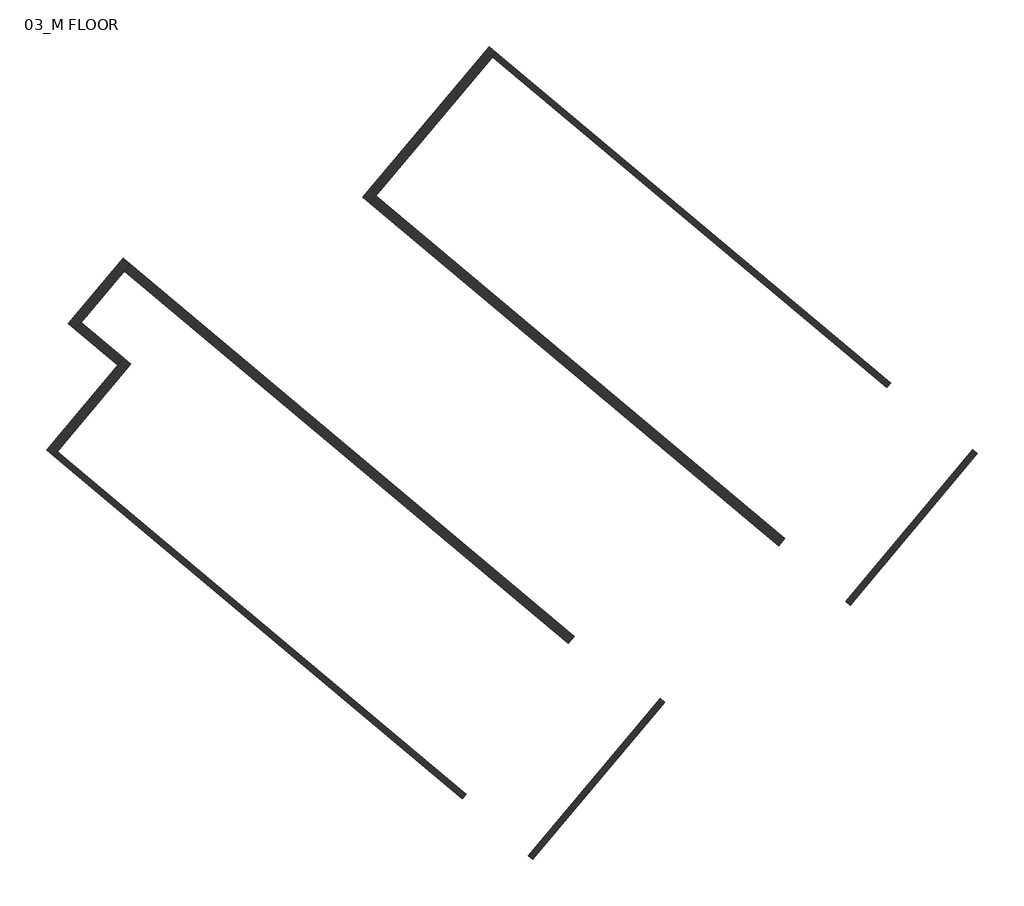
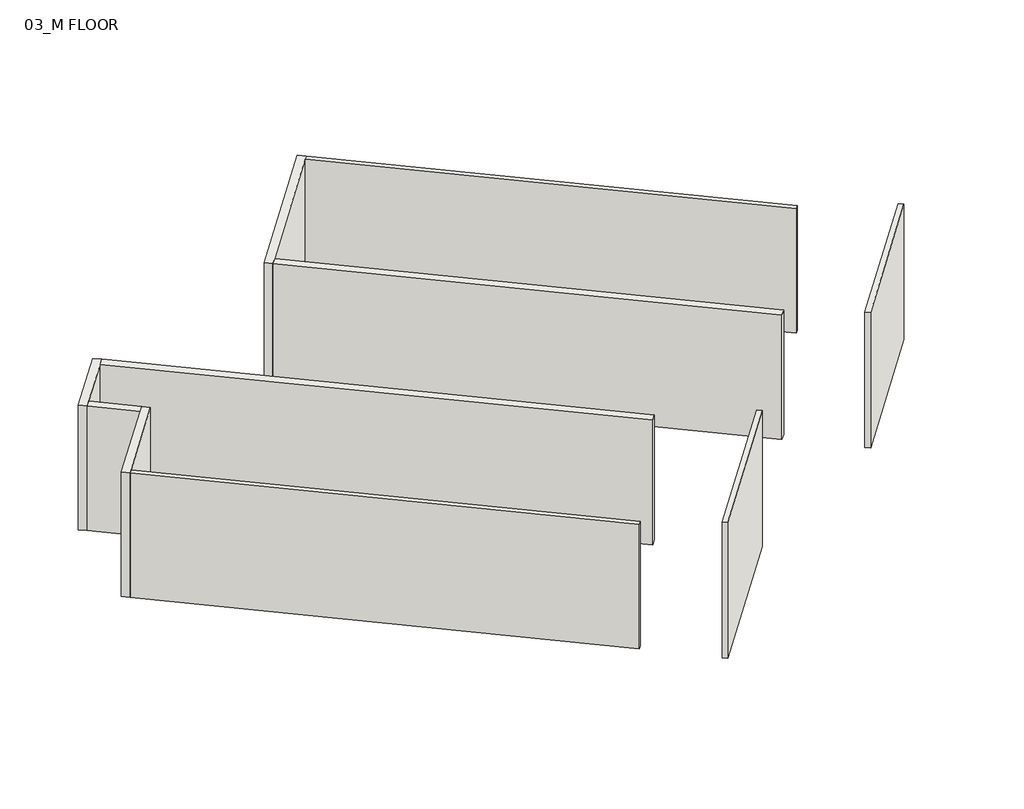
# One storey: 10 walls.
"""IFC4 building model written with IfcOpenShell, lengths in millimetres."""

import ifcopenshell
import ifcopenshell.guid

model = None  # the IFC model being written
_history = None  # IfcOwnerHistory: only IFC2X3 demands one
_inside = {}  # id of a spatial element -> (the spatial element, [elements in it])
_under = {}  # id of a project, library or spatial element -> (it, [spatial elements below it])
_declared = {}  # id of a project -> (the project, [libraries it declares])
_typed = {}  # id of a type object -> (the type object, [elements of that type])
_made_of = {}  # id of a material, layer set ... -> (it, [elements and type objects made of it])


def new_model(schema):
    """Start an empty IFC model of exactly this schema.

    Asked for "IFC4X3", IfcOpenShell would pick the latest addendum, in which some entities
    have other attributes; the version numbers below select the first issue.
    IFC2X3 requires an IfcOwnerHistory on every rooted entity: one is made here for all.
    """
    global model, _history
    if schema == "IFC4X3":
        model = ifcopenshell.file(schema_version=(4, 3, 0, 0))
    else:
        model = ifcopenshell.file(schema=schema)
    _inside.clear()
    _under.clear()
    _declared.clear()
    _typed.clear()
    _made_of.clear()
    _history = None
    if model.schema == "IFC2X3":
        org = make("IfcOrganization", Name="unknown")
        user = make(
            "IfcPersonAndOrganization",
            ThePerson=make("IfcPerson", FamilyName="unknown"),
            TheOrganization=org,
        )
        app = make(
            "IfcApplication",
            ApplicationDeveloper=org,
            Version="unknown",
            ApplicationFullName="unknown",
            ApplicationIdentifier="unknown",
        )
        _history = make(
            "IfcOwnerHistory",
            OwningUser=user,
            OwningApplication=app,
            ChangeAction="ADDED",
            CreationDate=0,
        )
    return model


def make(cls, **values):
    """One entity of the class cls with the attributes given. An attribute that is None is left unset."""
    return model.create_entity(
        cls, **{name: value for name, value in values.items() if value is not None}
    )


def rooted(cls, **values):
    """An entity with a GlobalId (a new one), such as an element, a storey or a relation."""
    return make(cls, GlobalId=ifcopenshell.guid.new(), OwnerHistory=_history, **values)


def si_unit(unit_type, name, prefix=None):
    """IfcSIUnit, for example si_unit("LENGTHUNIT", "METRE", prefix="MILLI")."""
    return make("IfcSIUnit", UnitType=unit_type, Prefix=prefix, Name=name)


def assignment(units):
    """IfcUnitAssignment: the units of a project."""
    return None if units is None else make("IfcUnitAssignment", Units=units)


def point(xyz):
    """IfcCartesianPoint."""
    return None if xyz is None else make("IfcCartesianPoint", Coordinates=xyz)


def direction(xyz):
    """IfcDirection."""
    return None if xyz is None else make("IfcDirection", DirectionRatios=xyz)


def frame(location, z_axis=None, x_axis=None):
    """IfcAxis2Placement3D, a coordinate frame: its origin and axes. An axis left out is left unset."""
    return make(
        "IfcAxis2Placement3D",
        Location=point(location),
        Axis=direction(z_axis),
        RefDirection=direction(x_axis),
    )


def origin():
    """The frame at (0, 0, 0) with its axes left unset."""
    return frame((0.0, 0.0, 0.0))


def place(relative_to, where):
    """IfcLocalPlacement: puts the frame where relative to a parent placement (None: the world)."""
    return make(
        "IfcLocalPlacement", PlacementRelTo=relative_to, RelativePlacement=where
    )


def context(
    kind, dimensions, precision=None, world=None, true_north=None, identifier=None
):
    """IfcGeometricRepresentationContext, for example the 3D "Model" context."""
    return make(
        "IfcGeometricRepresentationContext",
        ContextIdentifier=identifier,
        ContextType=kind,
        CoordinateSpaceDimension=dimensions,
        Precision=precision,
        WorldCoordinateSystem=world,
        TrueNorth=true_north,
    )


def project(units=None, contexts=None):
    """IfcProject with its units and contexts."""
    return rooted(
        "IfcProject",
        Name="project",
        RepresentationContexts=contexts,
        UnitsInContext=assignment(units),
    )


def spatial(cls, under=None, at=None, **own):
    """A site, building, storey or space (cls), placed at a placement, below another one or the project."""
    s = rooted(cls, ObjectPlacement=at, **own)
    if under is not None:
        _under.setdefault(under.id(), (under, []))[1].append(s)
    return s


def polyline(points):
    """IfcPolyline through the points."""
    return make("IfcPolyline", Points=[point(p) for p in points])


def outline(outer, holes=None, kind="AREA"):
    """IfcArbitraryClosedProfileDef: a profile drawn as a closed curve; with holes, ...WithVoids."""
    if holes is None:
        return make("IfcArbitraryClosedProfileDef", ProfileType=kind, OuterCurve=outer)
    return make(
        "IfcArbitraryProfileDefWithVoids",
        ProfileType=kind,
        OuterCurve=outer,
        InnerCurves=holes,
    )


def extrude(swept, where, along, depth):
    """IfcExtrudedAreaSolid: the profile swept, set in the frame where, extruded along a direction by depth."""
    return make(
        "IfcExtrudedAreaSolid",
        SweptArea=swept,
        Position=where,
        ExtrudedDirection=direction(along),
        Depth=depth,
    )


def faces_of(points, faces, orient=None, outer=None):
    """IfcFace entities. A face is a list of loops; a loop is a list of indices into points, from 0.

    orient and outer hold one flag for each loop. By default every Orientation is true, the
    first loop of a face is its IfcFaceOuterBound and the others are IfcFaceBound.
    """
    made = []
    for i, loops in enumerate(faces):
        bounds = []
        for j, loop in enumerate(loops):
            is_outer = j == 0 if outer is None else outer[i][j]
            bounds.append(
                make(
                    "IfcFaceOuterBound" if is_outer else "IfcFaceBound",
                    Bound=make("IfcPolyLoop", Polygon=[points[k] for k in loop]),
                    Orientation=True if orient is None else orient[i][j],
                )
            )
        made.append(make("IfcFace", Bounds=bounds))
    return made


def faceted_brep(points, faces, orient=None, outer=None, voids=None):
    """IfcFacetedBrep: a solid bounded by flat faces; with voids (closed shells), ...WithVoids."""
    shared = [point(p) for p in points]
    hull = make("IfcClosedShell", CfsFaces=faces_of(shared, faces, orient, outer))
    if voids is None:
        return make("IfcFacetedBrep", Outer=hull)
    return make(
        "IfcFacetedBrepWithVoids",
        Outer=hull,
        Voids=[
            make(cls, CfsFaces=faces_of(shared, fs, o, b)) for cls, fs, o, b in voids
        ],
    )


def shape(context_of_items, identifier, shape_type, items):
    """IfcShapeRepresentation: the items that make up one representation, for example the "Body"."""
    return make(
        "IfcShapeRepresentation",
        ContextOfItems=context_of_items,
        RepresentationIdentifier=identifier,
        RepresentationType=shape_type,
        Items=items,
    )


def made_of(thing, what):
    """Note that an element or type object is made of a material, layer set ...; save() writes the relation."""
    if what is not None:
        _made_of.setdefault(what.id(), (what, []))[1].append(thing)
    return thing


def element(
    cls,
    number,
    at=None,
    inside=None,
    cuts=None,
    type_object=None,
    material=None,
    context=None,
    identifier="Body",
    shape_type=None,
    held_by="IfcProductDefinitionShape",
    body=None,
    shapes=None,
    **own,
):
    """One element of the class cls, such as IfcWall. Its Tag is "e" and its number.

    at: its placement. inside: the storey or other place that contains it. cuts: it is an
    opening in that element (IfcRelVoidsElement). A single representation is given by context,
    identifier, shape_type and body (its items); several are given by shapes. held_by: the class
    of the entity that holds the representations. save() writes the other relations.
    """
    e = rooted(cls, Tag="e%d" % number, ObjectPlacement=at, **own)
    if body is not None:
        shapes = [shape(context, identifier, shape_type, body)]
    if shapes is not None:
        e.Representation = make(held_by, Representations=shapes)
    if inside is not None:
        _inside.setdefault(inside.id(), (inside, []))[1].append(e)
    if cuts is not None:
        rooted(
            "IfcRelVoidsElement", RelatingBuildingElement=cuts, RelatedOpeningElement=e
        )
    if type_object is not None:
        _typed.setdefault(type_object.id(), (type_object, []))[1].append(e)
    return made_of(e, material)


def aggregate(whole, parts):
    """IfcRelAggregates: a whole, such as a stair, and the parts it consists of."""
    return rooted("IfcRelAggregates", RelatingObject=whole, RelatedObjects=parts)


def save(model, path):
    """Write the relations noted so far, then the file.

    IfcRelAggregates (storeys below a building ...), IfcRelContainedInSpatialStructure (elements
    in a storey), IfcRelDefinesByType, IfcRelAssociatesMaterial and IfcRelDeclares: one each for
    every whole, place, type object, material and project.
    """
    for whole, parts in _under.values():
        aggregate(whole, parts)
    for where, things in _inside.values():
        rooted(
            "IfcRelContainedInSpatialStructure",
            RelatedElements=things,
            RelatingStructure=where,
        )
    for kind, things in _typed.values():
        rooted("IfcRelDefinesByType", RelatedObjects=things, RelatingType=kind)
    for what, things in _made_of.values():
        rooted("IfcRelAssociatesMaterial", RelatedObjects=things, RelatingMaterial=what)
    for by, libraries in _declared.values():
        rooted("IfcRelDeclares", RelatingContext=by, RelatedDefinitions=libraries)
    model.write(path)


model = new_model("IFC4")

# Units and contexts
model_context = context("Model", 3, world=origin())
ifc_project = project(units=[si_unit("LENGTHUNIT", "METRE", prefix="MILLI")], contexts=[model_context])

# Site, building, storey
site = spatial("IfcSite", under=ifc_project)
building = spatial("IfcBuilding", under=site)
storey = spatial("IfcBuildingStorey", under=building, Name="03_M FLOOR", Elevation=7315.2)

# Walls
placement = place(None, origin())
element("IfcWall", 1, at=placement, inside=storey, context=model_context, shape_type="Brep", body=[
    faceted_brep([(-39288.2292631, 11820.064802, 7315.2), (-39398.4351987, 11688.7264822, 7315.2), (-40712.8409851, 10122.2786642, 7315.2), (-40712.8409851, 10122.2786642, 10210.8), (-39398.4351987, 11688.7264822, 10210.8), (-39288.2292631, 11820.064802, 10210.8), (-40581.5026653, 10012.0727285, 7315.2), (-40512.015782, 10094.8839713, 7315.2), (-39156.8909433, 11709.8588663, 7315.2), (-39156.8909433, 11709.8588663, 10210.8), (-40512.015782, 10094.8839713, 10210.8), (-40581.5026653, 10012.0727285, 10210.8)], [[[0, 1, 2, 3, 4, 5]], [[6, 7, 8, 9, 10, 11]], [[2, 1, 0, 8, 7, 6]], [[5, 4, 3, 11, 10, 9]], [[3, 2, 6, 11]], [[0, 5, 9, 8]]]),
])
element("IfcWall", 2, at=placement, inside=storey, context=model_context, shape_type="SweptSolid", body=[
    extrude(outline(polyline([(-31085.0594893, 6553.2086463), (-39275.4630418, 13425.7732464), (-39165.2571061, 13557.1115662), (-30974.8535536, 6684.5469661), (-31085.0594893, 6553.2086463)])), frame((0.0, 0.0, 7315.2), z_axis=(0.0, 0.0, 1.0), x_axis=(1.0, 0.0, 0.0)), (0.0, 0.0, 1.0), 2895.6),
])
element("IfcWall", 3, at=placement, inside=storey, context=model_context, shape_type="Brep", body=[
    faceted_brep([(-39296.5954259, 13667.3175019, 7315.2), (-40312.9390549, 12456.0863306, 7315.2), (-40312.9390549, 12456.0863306, 10210.8), (-39296.5954259, 13667.3175019, 10210.8), (-40181.6007352, 12345.880395, 7315.2), (-40071.3947995, 12477.2187147, 7315.2), (-39275.4630418, 13425.7732464, 7315.2), (-39165.2571061, 13557.1115662, 7315.2), (-39165.2571061, 13557.1115662, 10210.8), (-39275.4630418, 13425.7732464, 10210.8), (-40071.3947995, 12477.2187147, 10210.8), (-40181.6007352, 12345.880395, 10210.8)], [[[0, 1, 2, 3]], [[4, 5, 6, 7, 8, 9, 10, 11]], [[1, 0, 7, 6, 5, 4]], [[3, 2, 11, 10, 9, 8]], [[0, 3, 8, 7]], [[2, 1, 4, 11]]]),
])
element("IfcWall", 4, at=placement, inside=storey, context=model_context, shape_type="SweptSolid", body=[
    extrude(outline(polyline([(-40071.3947995, 12477.2187147), (-39288.2292631, 11820.064802), (-39398.4351987, 11688.7264822), (-40181.6007352, 12345.880395), (-40071.3947995, 12477.2187147)])), frame((0.0, 0.0, 7315.2), z_axis=(0.0, 0.0, 1.0), x_axis=(1.0, 0.0, 0.0)), (0.0, 0.0, 1.0), 2895.6),
])
element("IfcWall", 5, at=placement, inside=storey, context=model_context, shape_type="Brep", body=[
    faceted_brep([(-32547.4417514, 17570.1981624, 7315.2), (-34878.1763706, 14792.5368065, 7315.2), (-34878.1763706, 14792.5368065, 10210.8), (-32547.4417514, 17570.1981624, 10210.8), (-34746.8380508, 14682.3308708, 7315.2), (-34636.6321151, 14813.6691906, 7315.2), (-32485.5903149, 17377.1809839, 7315.2), (-32416.1034316, 17459.9922267, 7315.2), (-32416.1034316, 17459.9922267, 10210.8), (-32485.5903149, 17377.1809839, 10210.8), (-34636.6321151, 14813.6691906, 10210.8), (-34746.8380508, 14682.3308708, 10210.8)], [[[0, 1, 2, 3]], [[4, 5, 6, 7, 8, 9, 10, 11]], [[1, 0, 7, 6, 5, 4]], [[3, 2, 11, 10, 9, 8]], [[0, 3, 8, 7]], [[2, 1, 4, 11]]]),
])
element("IfcWall", 6, at=placement, inside=storey, context=model_context, shape_type="SweptSolid", body=[
    extrude(outline(polyline([(-34636.6321151, 14813.6691906), (-27095.6235882, 8486.0117169), (-27205.8295239, 8354.6733972), (-34746.8380508, 14682.3308708), (-34636.6321151, 14813.6691906)])), frame((0.0, 0.0, 7315.2), z_axis=(0.0, 0.0, 1.0), x_axis=(1.0, 0.0, 0.0)), (0.0, 0.0, 1.0), 2895.6),
])
element("IfcWall", 7, ObjectType="W24.4 - 1HR INT MATE_50-54 STC 2x4", at=placement, inside=storey, context=model_context, shape_type="SweptSolid", body=[
    extrude(outline(polyline([(-40512.015782, 10094.8839713), (-32971.0072551, 3767.2264976), (-33040.4941384, 3684.4152548), (-40581.5026653, 10012.0727285), (-40512.015782, 10094.8839713)])), frame((0.0, 0.0, 7315.2), z_axis=(0.0, 0.0, 1.0), x_axis=(1.0, 0.0, 0.0)), (0.0, 0.0, 1.0), 2895.6),
])
element("IfcWall", 8, ObjectType="W24.4 - 1HR INT MATE_50-54 STC 2x4", at=placement, inside=storey, context=model_context, shape_type="SweptSolid", body=[
    extrude(outline(polyline([(-31824.1891023, 2637.0727488), (-29391.6849751, 5536.0182813), (-29308.8737323, 5466.531398), (-31741.3778595, 2567.5858655), (-31824.1891023, 2637.0727488)])), frame((0.0, 0.0, 7315.2), z_axis=(0.0, 0.0, 1.0), x_axis=(1.0, 0.0, 0.0)), (0.0, 0.0, 1.0), 3159.125),
])
element("IfcWall", 9, ObjectType="W24.4 - 1HR INT MATE_50-54 STC 2x4", at=placement, inside=storey, context=model_context, shape_type="SweptSolid", body=[
    extrude(outline(polyline([(-25209.6906186, 11271.9762323), (-32485.5903149, 17377.1809839), (-32416.1034316, 17459.9922267), (-25140.2037353, 11354.7874751), (-25209.6906186, 11271.9762323)])), frame((0.0, 0.0, 7315.2), z_axis=(0.0, 0.0, 1.0), x_axis=(1.0, 0.0, 0.0)), (0.0, 0.0, 1.0), 2895.6),
])
element("IfcWall", 10, ObjectType="W24.4 - 1HR INT MATE_50-54 STC 2x4", at=placement, inside=storey, context=model_context, shape_type="SweptSolid", body=[
    extrude(outline(polyline([(-25973.3104395, 7326.6540414), (-23622.2504783, 10128.5381966), (-23539.4392355, 10059.0513133), (-25890.4991967, 7257.1671581), (-25973.3104395, 7326.6540414)])), frame((0.0, 0.0, 7315.2), z_axis=(0.0, 0.0, 1.0), x_axis=(1.0, 0.0, 0.0)), (0.0, 0.0, 1.0), 3159.125),
])

save(model, "model.ifc")
